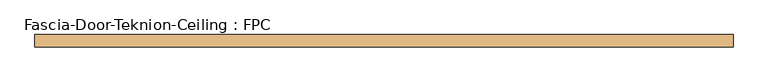
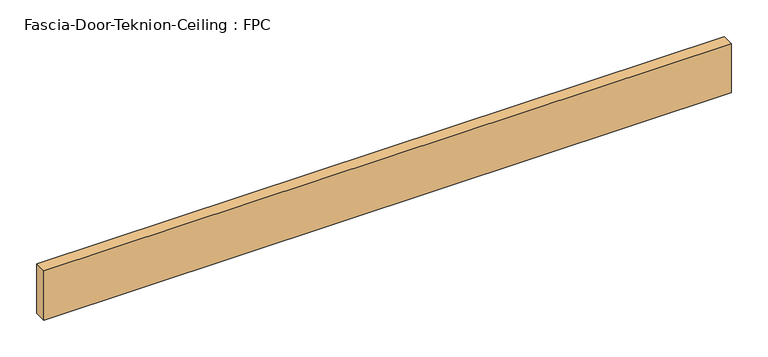
"""IFC4 building model written with IfcOpenShell, lengths in millimetres: door geometry, Fascia-Door-Teknion-Ceiling : FPC."""

import ifcopenshell
import ifcopenshell.guid

model = None  # the IFC model being written
_history = None  # IfcOwnerHistory: only IFC2X3 demands one
_inside = {}  # id of a spatial element -> (the spatial element, [elements in it])
_under = {}  # id of a project, library or spatial element -> (it, [spatial elements below it])
_declared = {}  # id of a project -> (the project, [libraries it declares])
_typed = {}  # id of a type object -> (the type object, [elements of that type])
_made_of = {}  # id of a material, layer set ... -> (it, [elements and type objects made of it])


def new_model(schema):
    """Start an empty IFC model of exactly this schema.

    Asked for "IFC4X3", IfcOpenShell would pick the latest addendum, in which some entities
    have other attributes; the version numbers below select the first issue.
    IFC2X3 requires an IfcOwnerHistory on every rooted entity: one is made here for all.
    """
    global model, _history
    if schema == "IFC4X3":
        model = ifcopenshell.file(schema_version=(4, 3, 0, 0))
    else:
        model = ifcopenshell.file(schema=schema)
    _inside.clear()
    _under.clear()
    _declared.clear()
    _typed.clear()
    _made_of.clear()
    _history = None
    if model.schema == "IFC2X3":
        org = make("IfcOrganization", Name="unknown")
        user = make(
            "IfcPersonAndOrganization",
            ThePerson=make("IfcPerson", FamilyName="unknown"),
            TheOrganization=org,
        )
        app = make(
            "IfcApplication",
            ApplicationDeveloper=org,
            Version="unknown",
            ApplicationFullName="unknown",
            ApplicationIdentifier="unknown",
        )
        _history = make(
            "IfcOwnerHistory",
            OwningUser=user,
            OwningApplication=app,
            ChangeAction="ADDED",
            CreationDate=0,
        )
    return model


def make(cls, **values):
    """One entity of the class cls with the attributes given. An attribute that is None is left unset."""
    return model.create_entity(
        cls, **{name: value for name, value in values.items() if value is not None}
    )


def rooted(cls, **values):
    """An entity with a GlobalId (a new one), such as an element, a storey or a relation."""
    return make(cls, GlobalId=ifcopenshell.guid.new(), OwnerHistory=_history, **values)


def si_unit(unit_type, name, prefix=None):
    """IfcSIUnit, for example si_unit("LENGTHUNIT", "METRE", prefix="MILLI")."""
    return make("IfcSIUnit", UnitType=unit_type, Prefix=prefix, Name=name)


def assignment(units):
    """IfcUnitAssignment: the units of a project."""
    return None if units is None else make("IfcUnitAssignment", Units=units)


def point(xyz):
    """IfcCartesianPoint."""
    return None if xyz is None else make("IfcCartesianPoint", Coordinates=xyz)


def direction(xyz):
    """IfcDirection."""
    return None if xyz is None else make("IfcDirection", DirectionRatios=xyz)


def frame(location, z_axis=None, x_axis=None):
    """IfcAxis2Placement3D, a coordinate frame: its origin and axes. An axis left out is left unset."""
    return make(
        "IfcAxis2Placement3D",
        Location=point(location),
        Axis=direction(z_axis),
        RefDirection=direction(x_axis),
    )


def origin():
    """The frame at (0, 0, 0) with its axes left unset."""
    return frame((0.0, 0.0, 0.0))


def origin_with_axes():
    """The frame at (0, 0, 0) with the z axis (0, 0, 1) and the x axis (1, 0, 0) written out."""
    return frame((0.0, 0.0, 0.0), z_axis=(0.0, 0.0, 1.0), x_axis=(1.0, 0.0, 0.0))


def place(relative_to, where):
    """IfcLocalPlacement: puts the frame where relative to a parent placement (None: the world)."""
    return make(
        "IfcLocalPlacement", PlacementRelTo=relative_to, RelativePlacement=where
    )


def context(
    kind, dimensions, precision=None, world=None, true_north=None, identifier=None
):
    """IfcGeometricRepresentationContext, for example the 3D "Model" context."""
    return make(
        "IfcGeometricRepresentationContext",
        ContextIdentifier=identifier,
        ContextType=kind,
        CoordinateSpaceDimension=dimensions,
        Precision=precision,
        WorldCoordinateSystem=world,
        TrueNorth=true_north,
    )


def project(units=None, contexts=None):
    """IfcProject with its units and contexts."""
    return rooted(
        "IfcProject",
        Name="project",
        RepresentationContexts=contexts,
        UnitsInContext=assignment(units),
    )


def spatial(cls, under=None, at=None, **own):
    """A site, building, storey or space (cls), placed at a placement, below another one or the project."""
    s = rooted(cls, ObjectPlacement=at, **own)
    if under is not None:
        _under.setdefault(under.id(), (under, []))[1].append(s)
    return s


def polyline(points):
    """IfcPolyline through the points."""
    return make("IfcPolyline", Points=[point(p) for p in points])


def outline(outer, holes=None, kind="AREA"):
    """IfcArbitraryClosedProfileDef: a profile drawn as a closed curve; with holes, ...WithVoids."""
    if holes is None:
        return make("IfcArbitraryClosedProfileDef", ProfileType=kind, OuterCurve=outer)
    return make(
        "IfcArbitraryProfileDefWithVoids",
        ProfileType=kind,
        OuterCurve=outer,
        InnerCurves=holes,
    )


def extrude(swept, where, along, depth):
    """IfcExtrudedAreaSolid: the profile swept, set in the frame where, extruded along a direction by depth."""
    return make(
        "IfcExtrudedAreaSolid",
        SweptArea=swept,
        Position=where,
        ExtrudedDirection=direction(along),
        Depth=depth,
    )


def shape(context_of_items, identifier, shape_type, items):
    """IfcShapeRepresentation: the items that make up one representation, for example the "Body"."""
    return make(
        "IfcShapeRepresentation",
        ContextOfItems=context_of_items,
        RepresentationIdentifier=identifier,
        RepresentationType=shape_type,
        Items=items,
    )


def source(mapping_origin, context_of_items, identifier, shape_type, items):
    """IfcRepresentationMap: a shape defined once, which mapped items show again and again."""
    return make(
        "IfcRepresentationMap",
        MappingOrigin=mapping_origin,
        MappedRepresentation=shape(context_of_items, identifier, shape_type, items),
    )


def transform(
    local_origin,
    x_axis=None,
    y_axis=None,
    z_axis=None,
    scale=None,
    scale2=None,
    scale3=None,
    uniform=True,
):
    """IfcCartesianTransformationOperator3D, or its non-uniform kind. x_axis, y_axis, z_axis: its Axis1, 2, 3."""
    if uniform:
        return make(
            "IfcCartesianTransformationOperator3D",
            Axis1=direction(x_axis),
            Axis2=direction(y_axis),
            LocalOrigin=point(local_origin),
            Scale=scale,
            Axis3=direction(z_axis),
        )
    return make(
        "IfcCartesianTransformationOperator3DnonUniform",
        Axis1=direction(x_axis),
        Axis2=direction(y_axis),
        LocalOrigin=point(local_origin),
        Scale=scale,
        Axis3=direction(z_axis),
        Scale2=scale2,
        Scale3=scale3,
    )


def mapped(mapping_source, mapping_target):
    """IfcMappedItem: shows the shape of a source again, moved by a transform."""
    return make(
        "IfcMappedItem", MappingSource=mapping_source, MappingTarget=mapping_target
    )


def made_of(thing, what):
    """Note that an element or type object is made of a material, layer set ...; save() writes the relation."""
    if what is not None:
        _made_of.setdefault(what.id(), (what, []))[1].append(thing)
    return thing


def element(
    cls,
    number,
    at=None,
    inside=None,
    cuts=None,
    type_object=None,
    material=None,
    context=None,
    identifier="Body",
    shape_type=None,
    held_by="IfcProductDefinitionShape",
    body=None,
    shapes=None,
    **own,
):
    """One element of the class cls, such as IfcWall. Its Tag is "e" and its number.

    at: its placement. inside: the storey or other place that contains it. cuts: it is an
    opening in that element (IfcRelVoidsElement). A single representation is given by context,
    identifier, shape_type and body (its items); several are given by shapes. held_by: the class
    of the entity that holds the representations. save() writes the other relations.
    """
    e = rooted(cls, Tag="e%d" % number, ObjectPlacement=at, **own)
    if body is not None:
        shapes = [shape(context, identifier, shape_type, body)]
    if shapes is not None:
        e.Representation = make(held_by, Representations=shapes)
    if inside is not None:
        _inside.setdefault(inside.id(), (inside, []))[1].append(e)
    if cuts is not None:
        rooted(
            "IfcRelVoidsElement", RelatingBuildingElement=cuts, RelatedOpeningElement=e
        )
    if type_object is not None:
        _typed.setdefault(type_object.id(), (type_object, []))[1].append(e)
    return made_of(e, material)


def aggregate(whole, parts):
    """IfcRelAggregates: a whole, such as a stair, and the parts it consists of."""
    return rooted("IfcRelAggregates", RelatingObject=whole, RelatedObjects=parts)


def save(model, path):
    """Write the relations noted so far, then the file.

    IfcRelAggregates (storeys below a building ...), IfcRelContainedInSpatialStructure (elements
    in a storey), IfcRelDefinesByType, IfcRelAssociatesMaterial and IfcRelDeclares: one each for
    every whole, place, type object, material and project.
    """
    for whole, parts in _under.values():
        aggregate(whole, parts)
    for where, things in _inside.values():
        rooted(
            "IfcRelContainedInSpatialStructure",
            RelatedElements=things,
            RelatingStructure=where,
        )
    for kind, things in _typed.values():
        rooted("IfcRelDefinesByType", RelatedObjects=things, RelatingType=kind)
    for what, things in _made_of.values():
        rooted("IfcRelAssociatesMaterial", RelatedObjects=things, RelatingMaterial=what)
    for by, libraries in _declared.values():
        rooted("IfcRelDeclares", RelatingContext=by, RelatedDefinitions=libraries)
    model.write(path)


def fascia_door_teknion_ceiling_fpc_b0ff0802(model_context):
    return source(origin(), model_context, "Body", "SweptSolid", [
        extrude(outline(polyline([(537.8152344, 0.0), (-537.8152344, 0.0), (-537.8152344, 19.05), (537.8152344, 19.05), (537.8152344, 0.0)])), origin_with_axes(), (0.0, 0.0, 1.0), 81.28),
    ])


if __name__ == "__main__":
    model = new_model("IFC4")
    model_context = context("Model", 3, world=origin())
    ifc_project = project(units=[si_unit("LENGTHUNIT", "METRE", prefix="MILLI")], contexts=[model_context])
    site = spatial("IfcSite", under=ifc_project)
    building = spatial("IfcBuilding", under=site)
    placement = place(None, origin())
    fascia_door_teknion_ceiling_fpc_shape = fascia_door_teknion_ceiling_fpc_b0ff0802(model_context)
    element("IfcDoor", 1, ObjectType="Fascia-Door-Teknion-Ceiling : FPC", at=placement, inside=building, context=model_context, shape_type="MappedRepresentation", body=[
        mapped(fascia_door_teknion_ceiling_fpc_shape, transform((0.0, 0.0, 0.0), x_axis=(1.0, 0.0, 0.0), y_axis=(0.0, 1.0, 0.0), z_axis=(0.0, 0.0, 1.0))),
    ])
    save(model, "model.ifc")
